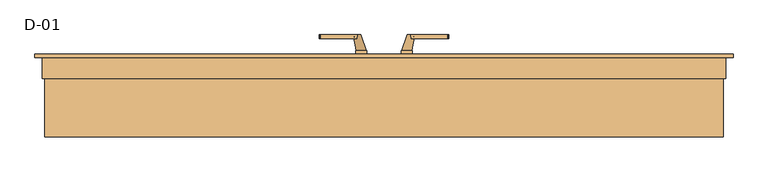
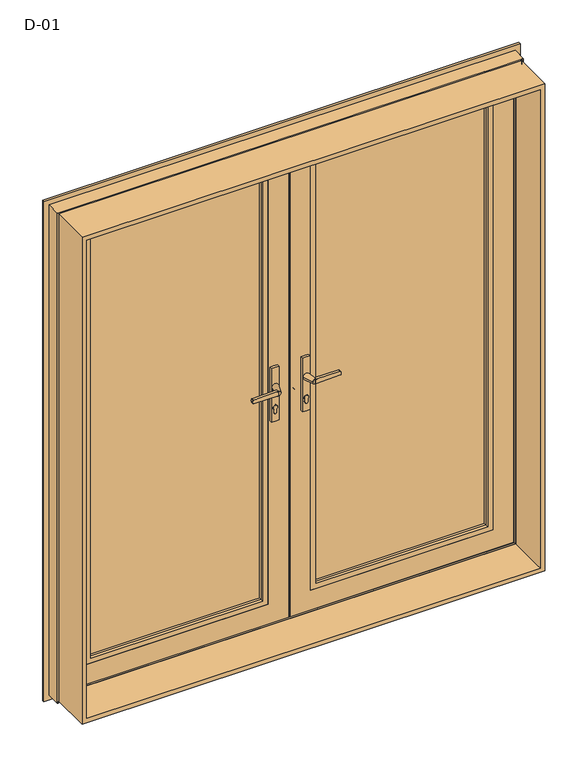
"""IFC4 building model written with IfcOpenShell, lengths in millimetres: door geometry, D-01."""

from ifc_helpers import new_model, si_unit, point, frame, frame_2d, origin, place, context, project, spatial, polyline, circle_curve, ellipse_curve, trimmed, segment, composite_curve, outline, extrude, faceted_brep, source, transform, mapped, element, save
from ifc_brep_helpers import plane_surface, cylinder_surface, revolved_surface, spline_surface, advanced_brep


def d_01_14a2e94c(model_context):
    return source(origin(), model_context, "Body", "SolidModel", [
        extrude(outline(polyline([(779.0, 81.0), (89.4409666, 81.0), (89.4409666, 107.0), (779.0, 107.0), (779.0, 81.0)])), frame((0.0, 0.0, 101.0), z_axis=(0.0, 0.0, 1.0), x_axis=(1.0, 0.0, 0.0)), (0.0, 0.0, 1.0), 1778.0),
        extrude(outline(polyline([(1993.8, 893.8), (1993.8, -893.8), (6.2, -893.8), (6.2, 893.8), (1993.8, 893.8)]), holes=[polyline([(24.7, 875.3), (24.7, -875.3), (1975.3, -875.3), (1975.3, 875.3), (24.7, 875.3)])]), frame((0.0, -100.0, 0.0), z_axis=(0.0, 1.0, 0.0), x_axis=(0.0, 0.0, 1.0)), (0.0, 0.0, 1.0), 165.9999813),
        extrude(outline(polyline([(-89.50001, 81.0), (-779.0, 81.0), (-779.0, 107.0), (-89.50001, 107.0), (-89.50001, 81.0)])), frame((0.0, 0.0, 101.0), z_axis=(0.0, 0.0, 1.0), x_axis=(1.0, 0.0, 0.0)), (0.0, 0.0, 1.0), 1778.0),
        faceted_brep([(-15.2962639, 106.2989927, 1948.529519), (-8.4962639, 106.2989927, 1948.529519), (-8.4962639, 68.9990172, 1948.529519), (2.5075939, 68.9990172, 1948.529519), (2.5075939, 65.7991049, 1948.529519), (19.8037267, 65.7991049, 1948.529519), (19.8037267, 111.9999375, 1948.529519), (-15.2962639, 111.9999375, 1948.529519), (19.8037267, 65.7991049, 51.470481), (2.5075939, 65.7991049, 51.470481), (2.5075939, 68.9990172, 51.470481), (-8.4962639, 68.9990172, 51.470481), (-8.4962639, 106.2989927, 51.470481), (-15.2962639, 106.2989927, 51.470481), (-15.2962639, 111.9999375, 51.470481), (19.8037267, 111.9999375, 51.470481), (-28.4962639, 118.9999375, 66.970481), (-28.4962639, 115.3999375, 66.970481), (-28.4962639, 115.3999375, 1933.029519), (-28.4962639, 118.9999375, 1933.029519), (-15.2962639, 115.3999375, 66.970481), (-15.2962639, 115.3999375, 1933.029519), (19.8037267, 111.9999375, 66.970481), (19.8037267, 112.3990293, 66.970481), (19.8037267, 112.3990293, 1933.029519), (19.8037267, 111.9999375, 1933.029519), (35.6037419, 112.3990293, 66.970481), (35.6037419, 112.3990293, 1933.029519), (35.6037419, 118.9999375, 66.970481), (35.6037419, 118.9999375, 1933.029519), (-15.2962639, 111.9999375, 1933.029519), (-15.2962639, 111.9999375, 66.970481)], [[[0, 1, 2, 3, 4, 5, 6, 7]], [[8, 9, 10, 11, 12, 13, 14, 15]], [[16, 17, 18, 19]], [[17, 20, 21, 18]], [[2, 1, 12, 11]], [[3, 2, 11, 10]], [[5, 8, 15, 22, 23, 24, 25, 6]], [[23, 26, 27, 24]], [[26, 28, 29, 27]], [[28, 16, 19, 29]], [[13, 0, 7, 30, 21, 20, 31, 14]], [[1, 0, 13, 12]], [[4, 3, 10, 9]], [[5, 4, 9, 8]], [[22, 31, 20, 17, 16, 28, 26, 23]], [[31, 22, 15, 14]], [[30, 25, 24, 27, 29, 19, 18, 21]], [[25, 30, 7, 6]]]),
        advanced_brep(
        [(766.0, 73.2768724, 1866.0), (763.8575034, 80.6069746, 1863.8575034), (763.8575034, 80.6069746, 136.1424966), (766.0, 73.2768724, 134.0), (766.0, 61.9997822, 1866.0), (766.0, 61.9997822, 134.0), (786.0, 80.6069746, 1886.0), (786.0, 61.9997822, 1886.0), (786.0, 61.9997822, 114.0), (786.0, 80.6069746, 114.0), (104.6129848, 80.6069746, 136.1424966), (102.4704883, 73.2768724, 134.0), (102.4704883, 61.9997822, 134.0), (82.4704883, 61.9997822, 114.0), (82.4704883, 80.6069746, 114.0), (104.6129848, 80.6069746, 1863.8575034), (102.4704883, 73.2768724, 1866.0), (102.4704883, 61.9997822, 1866.0), (82.4704883, 61.9997822, 1886.0), (82.4704883, 80.6069746, 1886.0)],
        [
            (0, 1, ellipse_curve(frame((746.3925883, 71.5240364, 1846.3925883), z_axis=(-0.7071067811865475, 0.0, 0.7071067811865475), x_axis=(-0.7071067811865474, 0.0, -0.7071067811865476)), 27.839649, 19.6856046)),
            (1, 2),
            (2, 3, ellipse_curve(frame((746.3925883, 71.5240364, 153.6074117), z_axis=(-0.7071067811865475, 0.0, -0.7071067811865475), x_axis=(0.7071067811865474, 0.0, -0.7071067811865476)), 27.839649, 19.6856046)),
            (3, 0),
            (4, 0),
            (3, 5),
            (5, 4),
            (6, 7),
            (7, 8),
            (8, 9),
            (9, 6),
            (2, 10),
            (10, 11, ellipse_curve(frame((122.0779, 71.5240364, 153.6074117), z_axis=(-0.7071067811865475, 0.0, 0.7071067811865475), x_axis=(-0.7071067811865476, 0.0, -0.7071067811865474)), 27.839649, 19.6856046)),
            (11, 3),
            (11, 12),
            (12, 5),
            (8, 13),
            (13, 14),
            (14, 9),
            (10, 15),
            (15, 16, ellipse_curve(frame((122.0779, 71.5240364, 1846.3925883), z_axis=(0.7071067811865475, 0.0, 0.7071067811865475), x_axis=(-0.7071067811865474, 0.0, 0.7071067811865476)), 27.839649, 19.6856046)),
            (16, 11),
            (16, 17),
            (17, 12),
            (13, 18),
            (18, 19),
            (19, 14),
            (19, 6),
            (1, 15),
            (0, 16),
            (4, 17),
            (7, 18),
        ],
        [
            revolved_surface(polyline([(766.0781929000001, 71.5240364, 133.92180710624666), (766.0781929000001, 71.5240364, 1866.0781928937533)]), (746.3925883, 71.5240364, 1886.0), (0.0, 0.0, -1.0)),
            plane_surface(frame((766.0, 73.2768724, 1866.0), z_axis=(-1.0, 0.0, 0.0), x_axis=(0.0, 0.0, -1.0))),
            plane_surface(frame((786.0, 61.9997822, 1886.0), z_axis=(1.0, 0.0, 0.0), x_axis=(0.0, 0.0, -1.0))),
            revolved_surface(polyline([(102.39229540624672, 71.5240364, 133.9218071), (766.0781928937533, 71.5240364, 133.9218071)]), (786.0, 71.5240364, 153.6074117), (-1.0, 0.0, 0.0)),
            plane_surface(frame((766.0, 73.2768724, 134.0), z_axis=(0.0, 0.0, 1.0), x_axis=(-1.0, 0.0, 0.0))),
            plane_surface(frame((786.0, 61.9997822, 114.0), z_axis=(0.0, 0.0, -1.0), x_axis=(-1.0, 0.0, 0.0))),
            revolved_surface(polyline([(102.3922954, 71.5240364, 1866.0781928937533), (102.3922954, 71.5240364, 133.92180710624672)]), (122.0779, 71.5240364, 114.0), (0.0, 0.0, 1.0)),
            plane_surface(frame((102.4704883, 73.2768724, 134.0), z_axis=(1.0, 0.0, 0.0), x_axis=(0.0, 0.0, 1.0))),
            plane_surface(frame((82.4704883, 61.9997822, 114.0), z_axis=(-1.0, 0.0, 0.0), x_axis=(0.0, 0.0, 1.0))),
            plane_surface(frame((82.4704883, 80.6069746, 1886.0), z_axis=(0.0, 1.0, 0.0), x_axis=(1.0, 0.0, 0.0))),
            revolved_surface(polyline([(766.0781928937533, 71.5240364, 1866.0781929), (102.39229540624672, 71.5240364, 1866.0781929)]), (82.4704883, 71.5240364, 1846.3925883), (1.0, 0.0, 0.0)),
            plane_surface(frame((102.4704883, 73.2768724, 1866.0), z_axis=(0.0, 0.0, -1.0), x_axis=(1.0, 0.0, 0.0))),
            plane_surface(frame((102.4704883, 61.9997822, 1866.0), z_axis=(0.0, -1.0, 0.0), x_axis=(1.0, 0.0, 0.0))),
            plane_surface(frame((82.4704883, 61.9997822, 1886.0), z_axis=(0.0, 0.0, 1.0), x_axis=(1.0, 0.0, 0.0))),
        ],
        [
            (0, [[1, 2, 3, 4]]),
            (1, [[5, -4, 6, 7]]),
            (2, [[8, 9, 10, 11]]),
            (3, [[-3, 12, 13, 14]]),
            (4, [[-6, -14, 15, 16]]),
            (5, [[-10, 17, 18, 19]]),
            (6, [[-13, 20, 21, 22]]),
            (7, [[-15, -22, 23, 24]]),
            (8, [[-18, 25, 26, 27]]),
            (9, [[-19, -27, 28, -11], [29, -20, -12, -2]]),
            (10, [[-21, -29, -1, 30]]),
            (11, [[-23, -30, -5, 31]]),
            (12, [[32, -25, -17, -9], [-16, -24, -31, -7]]),
            (13, [[-26, -32, -8, -28]]),
        ],
    ),
        extrude(outline(composite_curve([segment(polyline([(895.7, 64.970481), (908.3261365, 64.970481)]), True, "CONTINUOUS"), segment(trimmed(circle_curve(frame_2d((915.2, 59.970481)), 8.5), [point((908.3261365, 64.970481))], [point((908.3261365, 54.970481))], False, "CARTESIAN"), True, "CONTINUOUS"), segment(polyline([(908.3261365, 54.970481), (895.7, 54.970481)]), True, "CONTINUOUS"), segment(trimmed(circle_curve(frame_2d((895.7, 59.970481)), 5.0), [point((895.7, 54.970481))], [point((895.7, 64.970481))], False, "CARTESIAN"), True, "CONTINUOUS")], self_intersect=False)), frame((0.0, 118.9997902, 0.0), z_axis=(0.0, 1.0, 0.0), x_axis=(0.0, 0.0, 1.0)), (0.0, 0.0, 1.0), 11.0),
        extrude(outline(composite_curve([segment(trimmed(circle_curve(frame_2d((956.1155661, 59.970481)), 97.2636214), [point((860.0, 45.070481))], [point((860.0, 74.870481))], False, "CARTESIAN"), True, "CONTINUOUS"), segment(polyline([(860.0, 74.870481), (1078.5, 74.870481)]), True, "CONTINUOUS"), segment(trimmed(circle_curve(frame_2d((982.3844339, 59.970481)), 97.2636214), [point((1078.5, 74.870481))], [point((1078.5, 45.070481))], False, "CARTESIAN"), True, "CONTINUOUS"), segment(polyline([(1078.5, 45.070481), (860.0, 45.070481)]), True, "CONTINUOUS")], self_intersect=False), holes=[composite_curve([segment(polyline([(895.7, 54.970481), (908.3261365, 54.970481)]), True, "CONTINUOUS"), segment(trimmed(circle_curve(frame_2d((915.2, 59.970481)), 8.5), [point((908.3261365, 54.970481))], [point((908.3261365, 64.970481))], True, "CARTESIAN"), True, "CONTINUOUS"), segment(polyline([(908.3261365, 64.970481), (895.7, 64.970481)]), True, "CONTINUOUS"), segment(trimmed(circle_curve(frame_2d((895.7, 59.970481)), 5.0), [point((895.7, 64.970481))], [point((895.7, 54.970481))], True, "CARTESIAN"), True, "CONTINUOUS")], self_intersect=False)]), frame((0.0, 118.9997902, 0.0), z_axis=(0.0, 1.0, 0.0), x_axis=(0.0, 0.0, 1.0)), (0.0, 0.0, 1.0), 10.0),
        extrude(outline(composite_curve([segment(polyline([(1009.5, 70.970481), (990.5, 70.970481), (993.0308731, 167.6206253)]), True, "CONTINUOUS"), segment(trimmed(circle_curve(frame_2d((995.0301877, 167.5682714)), 2.0), [point((993.0308731, 167.6206253))], [point((994.5125497, 169.5001231))], False, "CARTESIAN"), True, "CONTINUOUS"), segment(polyline([(994.5125497, 169.5001231), (1000.0, 170.970481), (1005.4874503, 169.5001231)]), True, "CONTINUOUS"), segment(trimmed(circle_curve(frame_2d((1004.9698123, 167.5682714)), 2.0), [point((1005.4874503, 169.5001231))], [point((1006.9691269, 167.6206253))], False, "CARTESIAN"), True, "CONTINUOUS"), segment(polyline([(1006.9691269, 167.6206253), (1009.5, 70.970481)]), True, "CONTINUOUS")], self_intersect=False)), frame((0.0, 159.9997902, 0.0), z_axis=(0.0, 1.0, 0.0), x_axis=(0.0, 0.0, 1.0)), (0.0, 0.0, 1.0), 10.0),
        advanced_brep(
        [(61.470481, 169.9997902, 1000.0), (80.470481, 169.9997902, 1000.0), (46.570481, 128.9997902, 1000.0), (73.370481, 128.9997902, 1000.0)],
        [
            (0, 1, circle_curve(frame((70.970481, 169.9997902, 1000.0), z_axis=(0.0, 1.0, 0.0), x_axis=(1.0, 0.0, 0.0)), 9.5)),
            (1, 0, circle_curve(frame((70.970481, 169.9997902, 1000.0), z_axis=(0.0, 1.0, 0.0), x_axis=(1.0, 0.0, 0.0)), 9.5)),
            (2, 3, circle_curve(frame((59.970481, 128.9997902, 1000.0), z_axis=(0.0, -1.0, 0.0), x_axis=(1.0, 0.0, 0.0)), 13.4)),
            (3, 2, circle_curve(frame((59.970481, 128.9997902, 1000.0), z_axis=(0.0, -1.0, 0.0), x_axis=(1.0, 0.0, 0.0)), 13.4)),
            (2, 0),
            (1, 3),
        ],
        [
            plane_surface(frame((70.970481, 169.9997902, 1000.0), z_axis=(0.0, 1.0, 0.0), x_axis=(0.0, 0.0, -1.0))),
            plane_surface(frame((59.970481, 128.9997902, 1000.0), z_axis=(0.0, -1.0, 0.0), x_axis=(0.0, 0.0, -1.0))),
            spline_surface(1, 2, [[(46.570481, 128.9997902, 1000.0), (46.570481, 128.9997902, 986.6), (59.970481, 128.9997902, 986.6), (73.370481, 128.9997902, 986.6), (73.370481, 128.9997902, 1000.0)], [(61.470481, 169.9997902, 1000.0), (61.470481, 169.9997902, 990.5), (70.970481, 169.9997902, 990.5), (80.470481, 169.9997902, 990.5), (80.470481, 169.9997902, 1000.0)]], [2, 2], [3, 2, 3], [0.0, 1.0], [0.0, 1.0, 2.0], weights=[[1.0, 0.7071067811865476, 1.0, 0.7071067811865476, 1.0], [1.0, 0.7071067811865476, 1.0, 0.7071067811865476, 1.0]]),
            spline_surface(1, 2, [[(73.370481, 128.9997902, 1000.0), (73.370481, 128.9997902, 1013.4), (59.970481, 128.9997902, 1013.4), (46.570481, 128.9997902, 1013.4), (46.570481, 128.9997902, 1000.0)], [(80.470481, 169.9997902, 1000.0), (80.470481, 169.9997902, 1009.5), (70.970481, 169.9997902, 1009.5), (61.47048100000001, 169.9997902, 1009.5), (61.470481, 169.9997902, 1000.0)]], [2, 2], [3, 2, 3], [0.0, 1.0], [0.0, 1.0, 2.0], weights=[[1.0, 0.7071067811865476, 1.0, 0.7071067811865476, 1.0], [1.0, 0.7071067811865476, 1.0, 0.7071067811865476, 1.0]]),
        ],
        [
            (0, [[1, 2]]),
            (1, [[3, 4]]),
            (2, [[5, -2, 6, -3]]),
            (3, [[-6, -1, -5, -4]]),
        ],
    ),
        extrude(outline(composite_curve([segment(polyline([(895.7, 64.970481), (908.3261365, 64.970481)]), True, "CONTINUOUS"), segment(trimmed(circle_curve(frame_2d((915.2, 59.970481)), 8.5), [point((908.3261365, 64.970481))], [point((908.3261365, 54.970481))], False, "CARTESIAN"), True, "CONTINUOUS"), segment(polyline([(908.3261365, 54.970481), (895.7, 54.970481)]), True, "CONTINUOUS"), segment(trimmed(circle_curve(frame_2d((895.7, 59.970481)), 5.0), [point((895.7, 54.970481))], [point((895.7, 64.970481))], False, "CARTESIAN"), True, "CONTINUOUS")], self_intersect=False)), frame((0.0, 50.9997823, 0.0), z_axis=(0.0, 1.0, 0.0), x_axis=(0.0, 0.0, 1.0)), (0.0, 0.0, 1.0), 11.0),
        extrude(outline(composite_curve([segment(trimmed(circle_curve(frame_2d((956.1155661, 59.970481)), 97.2636214), [point((860.0, 45.070481))], [point((860.0, 74.870481))], False, "CARTESIAN"), True, "CONTINUOUS"), segment(polyline([(860.0, 74.870481), (1078.5, 74.870481)]), True, "CONTINUOUS"), segment(trimmed(circle_curve(frame_2d((982.3844339, 59.970481)), 97.2636214), [point((1078.5, 74.870481))], [point((1078.5, 45.070481))], False, "CARTESIAN"), True, "CONTINUOUS"), segment(polyline([(1078.5, 45.070481), (860.0, 45.070481)]), True, "CONTINUOUS")], self_intersect=False), holes=[composite_curve([segment(polyline([(895.7, 54.970481), (908.3261365, 54.970481)]), True, "CONTINUOUS"), segment(trimmed(circle_curve(frame_2d((915.2, 59.970481)), 8.5), [point((908.3261365, 54.970481))], [point((908.3261365, 64.970481))], True, "CARTESIAN"), True, "CONTINUOUS"), segment(polyline([(908.3261365, 64.970481), (895.7, 64.970481)]), True, "CONTINUOUS"), segment(trimmed(circle_curve(frame_2d((895.7, 59.970481)), 5.0), [point((895.7, 64.970481))], [point((895.7, 54.970481))], True, "CARTESIAN"), True, "CONTINUOUS")], self_intersect=False)]), frame((0.0, 51.9997823, 0.0), z_axis=(0.0, 1.0, 0.0), x_axis=(0.0, 0.0, 1.0)), (0.0, 0.0, 1.0), 10.0),
        extrude(outline(composite_curve([segment(polyline([(1009.5, 70.970481), (990.5, 70.970481), (993.0308731, 167.6206253)]), True, "CONTINUOUS"), segment(trimmed(circle_curve(frame_2d((995.0301877, 167.5682714)), 2.0), [point((993.0308731, 167.6206253))], [point((994.5125497, 169.5001231))], False, "CARTESIAN"), True, "CONTINUOUS"), segment(polyline([(994.5125497, 169.5001231), (1000.0, 170.970481), (1005.4874503, 169.5001231)]), True, "CONTINUOUS"), segment(trimmed(circle_curve(frame_2d((1004.9698123, 167.5682714)), 2.0), [point((1005.4874503, 169.5001231))], [point((1006.9691269, 167.6206253))], False, "CARTESIAN"), True, "CONTINUOUS"), segment(polyline([(1006.9691269, 167.6206253), (1009.5, 70.970481)]), True, "CONTINUOUS")], self_intersect=False)), frame((0.0, 10.9997823, 0.0), z_axis=(0.0, 1.0, 0.0), x_axis=(0.0, 0.0, 1.0)), (0.0, 0.0, 1.0), 10.0),
        advanced_brep(
        [(61.470481, 10.9997823, 1000.0), (80.470481, 10.9997823, 1000.0), (46.570481, 51.9997823, 1000.0), (73.370481, 51.9997823, 1000.0)],
        [
            (0, 1, circle_curve(frame((70.970481, 10.9997823, 1000.0), z_axis=(0.0, -1.0, 0.0), x_axis=(1.0, 0.0, 0.0)), 9.5)),
            (1, 0, circle_curve(frame((70.970481, 10.9997823, 1000.0), z_axis=(0.0, -1.0, 0.0), x_axis=(1.0, 0.0, 0.0)), 9.5)),
            (2, 3, circle_curve(frame((59.970481, 51.9997823, 1000.0), z_axis=(0.0, 1.0, 0.0), x_axis=(1.0, 0.0, 0.0)), 13.4)),
            (3, 2, circle_curve(frame((59.970481, 51.9997823, 1000.0), z_axis=(0.0, 1.0, 0.0), x_axis=(1.0, 0.0, 0.0)), 13.4)),
            (3, 1),
            (0, 2),
        ],
        [
            plane_surface(frame((70.970481, 10.9997823, 1000.0), z_axis=(0.0, -1.0, 0.0), x_axis=(0.0, 0.0, -1.0))),
            plane_surface(frame((59.970481, 51.9997823, 1000.0), z_axis=(0.0, 1.0, 0.0), x_axis=(0.0, 0.0, -1.0))),
            spline_surface(2, 1, [[(46.570481, 51.9997823, 1000.0), (61.470481, 10.9997823, 1000.0)], [(46.570481, 51.9997823, 986.6), (61.470481, 10.9997823, 990.5)], [(59.970481, 51.9997823, 986.6), (70.970481, 10.9997823, 990.5)], [(73.370481, 51.9997823, 986.6), (80.470481, 10.9997823, 990.5)], [(73.370481, 51.9997823, 1000.0), (80.470481, 10.9997823, 1000.0)]], [3, 2, 3], [2, 2], [0.0, 1.0, 2.0], [0.0, 1.0], weights=[[1.0, 1.0], [0.7071067811865476, 0.7071067811865476], [1.0, 1.0], [0.7071067811865476, 0.7071067811865476], [1.0, 1.0]]),
            spline_surface(2, 1, [[(73.370481, 51.9997823, 1000.0), (80.470481, 10.9997823, 1000.0)], [(73.370481, 51.9997823, 1013.4), (80.470481, 10.9997823, 1009.5)], [(59.970481, 51.9997823, 1013.4), (70.970481, 10.9997823, 1009.5)], [(46.570481, 51.9997823, 1013.4), (61.47048100000001, 10.9997823, 1009.5)], [(46.570481, 51.9997823, 1000.0), (61.470481, 10.9997823, 1000.0)]], [3, 2, 3], [2, 2], [0.0, 1.0, 2.0], [0.0, 1.0], weights=[[1.0, 1.0], [0.7071067811865476, 0.7071067811865476], [1.0, 1.0], [0.7071067811865476, 0.7071067811865476], [1.0, 1.0]]),
        ],
        [
            (0, [[1, 2]]),
            (1, [[3, 4]]),
            (2, [[-4, 5, -1, 6]]),
            (3, [[-3, -6, -2, -5]]),
        ],
    ),
        faceted_brep([(866.029509, 65.5998024, 1966.029509), (866.029509, 61.9997823, 1966.029509), (866.029509, 61.9997823, 33.970491), (866.029509, 65.5998024, 33.970491), (2.470491, 61.9997823, 1966.029509), (2.470491, 61.9997823, 33.970491), (786.0295117, 61.9997823, 1886.0295117), (786.0295117, 61.9997823, 113.9704883), (82.4704883, 61.9997823, 113.9704883), (82.4704883, 61.9997823, 1886.0295117), (2.470491, 65.5998024, 33.970491), (2.470491, 65.5998024, 1966.029509), (19.970481, 65.5998024, 1948.529519), (19.970481, 65.5998024, 51.470481), (848.529519, 65.5998024, 51.470481), (848.529519, 65.5998024, 1948.529519), (848.529519, 112.0009527, 1948.529519), (848.529519, 112.0009527, 51.470481), (19.970481, 112.0009527, 51.470481), (19.970481, 112.0009527, 1948.529519), (35.4647842, 112.0009527, 1933.0352158), (35.4647842, 112.0009527, 66.9647842), (833.0352158, 112.0009527, 66.9647842), (833.0352158, 112.0009527, 1933.0352158), (833.0352158, 118.9997902, 1933.0352158), (833.0352158, 118.9997902, 66.9647842), (35.4647842, 118.9997902, 66.9647842), (35.4647842, 118.9997902, 1933.0352158), (102.4699136, 118.9997902, 1866.0300864), (102.4699136, 118.9997902, 133.9699136), (766.0300864, 118.9997902, 133.9699136), (766.0300864, 118.9997902, 1866.0300864), (766.0300864, 108.400954, 1866.0300864), (766.0300864, 108.400954, 133.9699136), (102.4699136, 108.400954, 133.9699136), (82.4704883, 108.400954, 1886.0295117), (82.4704883, 108.400954, 113.9704883), (786.0295117, 108.400954, 113.9704883), (786.0295117, 108.400954, 1886.0295117), (102.4699136, 108.400954, 1866.0300864)], [[[0, 1, 2, 3]], [[4, 5, 2, 1], [6, 7, 8, 9]], [[3, 2, 5, 10]], [[0, 3, 10, 11], [12, 13, 14, 15]], [[16, 15, 14, 17]], [[17, 14, 13, 18]], [[16, 17, 18, 19], [20, 21, 22, 23]], [[24, 23, 22, 25]], [[25, 22, 21, 26]], [[24, 25, 26, 27], [28, 29, 30, 31]], [[32, 31, 30, 33]], [[33, 30, 29, 34]], [[35, 36, 37, 38], [32, 33, 34, 39]], [[6, 38, 37, 7]], [[7, 37, 36, 8]], [[10, 5, 4, 11]], [[18, 13, 12, 19]], [[26, 21, 20, 27]], [[34, 29, 28, 39]], [[8, 36, 35, 9]], [[11, 4, 1, 0]], [[19, 12, 15, 16]], [[27, 20, 23, 24]], [[39, 28, 31, 32]], [[9, 35, 38, 6]]]),
        extrude(outline(composite_curve([segment(trimmed(circle_curve(frame_2d((895.7, -60.0)), 5.0), [point((895.7, -65.0))], [point((895.7, -55.0))], False, "CARTESIAN"), True, "CONTINUOUS"), segment(polyline([(895.7, -55.0), (908.3261365, -55.0)]), True, "CONTINUOUS"), segment(trimmed(circle_curve(frame_2d((915.2, -60.0)), 8.5), [point((908.3261365, -55.0))], [point((908.3261365, -65.0))], False, "CARTESIAN"), True, "CONTINUOUS"), segment(polyline([(908.3261365, -65.0), (895.7, -65.0)]), True, "CONTINUOUS")], self_intersect=False)), frame((0.0, 118.9997902, 0.0), z_axis=(0.0, 1.0, 0.0), x_axis=(0.0, 0.0, 1.0)), (0.0, 0.0, 1.0), 11.0),
        extrude(outline(composite_curve([segment(polyline([(860.0, -45.1), (1078.5, -45.1)]), True, "CONTINUOUS"), segment(trimmed(circle_curve(frame_2d((982.3844339, -60.0)), 97.2636214), [point((1078.5, -45.1))], [point((1078.5, -74.9))], False, "CARTESIAN"), True, "CONTINUOUS"), segment(polyline([(1078.5, -74.9), (860.0, -74.9)]), True, "CONTINUOUS"), segment(trimmed(circle_curve(frame_2d((956.1155661, -60.0)), 97.2636214), [point((860.0, -74.9))], [point((860.0, -45.1))], False, "CARTESIAN"), True, "CONTINUOUS")], self_intersect=False), holes=[composite_curve([segment(trimmed(circle_curve(frame_2d((895.7, -60.0)), 5.0), [point((895.7, -55.0))], [point((895.7, -65.0))], True, "CARTESIAN"), True, "CONTINUOUS"), segment(polyline([(895.7, -65.0), (908.3261365, -65.0)]), True, "CONTINUOUS"), segment(trimmed(circle_curve(frame_2d((915.2, -60.0)), 8.5), [point((908.3261365, -65.0))], [point((908.3261365, -55.0))], True, "CARTESIAN"), True, "CONTINUOUS"), segment(polyline([(908.3261365, -55.0), (895.7, -55.0)]), True, "CONTINUOUS")], self_intersect=False)]), frame((0.0, 118.9997902, 0.0), z_axis=(0.0, 1.0, 0.0), x_axis=(0.0, 0.0, 1.0)), (0.0, 0.0, 1.0), 10.0),
        extrude(outline(composite_curve([segment(polyline([(1009.5, -71.0), (1006.9691269, -167.6501444)]), True, "CONTINUOUS"), segment(trimmed(circle_curve(frame_2d((1004.9698123, -167.5977905)), 2.0), [point((1006.9691269, -167.6501444))], [point((1005.4874503, -169.5296421))], False, "CARTESIAN"), True, "CONTINUOUS"), segment(polyline([(1005.4874503, -169.5296421), (1000.0, -171.0), (994.5125497, -169.5296421)]), True, "CONTINUOUS"), segment(trimmed(circle_curve(frame_2d((995.0301877, -167.5977905)), 2.0), [point((994.5125497, -169.5296421))], [point((993.0308731, -167.6501444))], False, "CARTESIAN"), True, "CONTINUOUS"), segment(polyline([(993.0308731, -167.6501444), (990.5, -71.0), (1009.5, -71.0)]), True, "CONTINUOUS")], self_intersect=False)), frame((0.0, 159.9997902, 0.0), z_axis=(0.0, 1.0, 0.0), x_axis=(0.0, 0.0, 1.0)), (0.0, 0.0, 1.0), 10.0),
        advanced_brep(
        [(-61.5, 169.9997902, 1000.0), (-80.5, 169.9997902, 1000.0), (-46.6, 128.9997902, 1000.0), (-73.4, 128.9997902, 1000.0)],
        [
            (0, 1, circle_curve(frame((-71.0, 169.9997902, 1000.0), z_axis=(0.0, 1.0, 0.0), x_axis=(-1.0, 0.0, 0.0)), 9.5)),
            (1, 0, circle_curve(frame((-71.0, 169.9997902, 1000.0), z_axis=(0.0, 1.0, 0.0), x_axis=(-1.0, 0.0, 0.0)), 9.5)),
            (2, 3, circle_curve(frame((-60.0, 128.9997902, 1000.0), z_axis=(0.0, -1.0, 0.0), x_axis=(-1.0, 0.0, 0.0)), 13.4)),
            (3, 2, circle_curve(frame((-60.0, 128.9997902, 1000.0), z_axis=(0.0, -1.0, 0.0), x_axis=(-1.0, 0.0, 0.0)), 13.4)),
            (3, 1),
            (0, 2),
        ],
        [
            plane_surface(frame((-71.0, 169.9997902, 1000.0), z_axis=(0.0, 1.0, 0.0), x_axis=(0.0, 0.0, -1.0))),
            plane_surface(frame((-60.0, 128.9997902, 1000.0), z_axis=(0.0, -1.0, 0.0), x_axis=(0.0, 0.0, -1.0))),
            spline_surface(2, 1, [[(-46.6, 128.9997902, 1000.0), (-61.5, 169.9997902, 1000.0)], [(-46.6, 128.9997902, 986.6), (-61.5, 169.9997902, 990.5)], [(-60.0, 128.9997902, 986.6), (-71.0, 169.9997902, 990.5)], [(-73.4, 128.9997902, 986.6), (-80.5, 169.9997902, 990.5)], [(-73.4, 128.9997902, 1000.0), (-80.5, 169.9997902, 1000.0)]], [3, 2, 3], [2, 2], [0.0, 1.0, 2.0], [0.0, 1.0], weights=[[1.0, 1.0], [0.7071067811865476, 0.7071067811865476], [1.0, 1.0], [0.7071067811865477, 0.7071067811865477], [1.0, 1.0]]),
            spline_surface(2, 1, [[(-73.4, 128.9997902, 1000.0), (-80.5, 169.9997902, 1000.0)], [(-73.4, 128.9997902, 1013.4), (-80.5, 169.9997902, 1009.5)], [(-60.0, 128.9997902, 1013.4), (-71.0, 169.9997902, 1009.5)], [(-46.599999999999994, 128.9997902, 1013.4), (-61.5, 169.9997902, 1009.5)], [(-46.6, 128.9997902, 1000.0), (-61.5, 169.9997902, 1000.0)]], [3, 2, 3], [2, 2], [0.0, 1.0, 2.0], [0.0, 1.0], weights=[[1.0, 1.0], [0.7071067811865476, 0.7071067811865476], [1.0, 1.0], [0.7071067811865474, 0.7071067811865474], [1.0, 1.0]]),
        ],
        [
            (0, [[1, 2]]),
            (1, [[3, 4]]),
            (2, [[-4, 5, -1, 6]]),
            (3, [[-3, -6, -2, -5]]),
        ],
    ),
        extrude(outline(composite_curve([segment(trimmed(circle_curve(frame_2d((895.7, -60.0)), 5.0), [point((895.7, -65.0))], [point((895.7, -55.0))], False, "CARTESIAN"), True, "CONTINUOUS"), segment(polyline([(895.7, -55.0), (908.3261365, -55.0)]), True, "CONTINUOUS"), segment(trimmed(circle_curve(frame_2d((915.2, -60.0)), 8.5), [point((908.3261365, -55.0))], [point((908.3261365, -65.0))], False, "CARTESIAN"), True, "CONTINUOUS"), segment(polyline([(908.3261365, -65.0), (895.7, -65.0)]), True, "CONTINUOUS")], self_intersect=False)), frame((0.0, 50.9997823, 0.0), z_axis=(0.0, 1.0, 0.0), x_axis=(0.0, 0.0, 1.0)), (0.0, 0.0, 1.0), 11.0),
        extrude(outline(composite_curve([segment(polyline([(860.0, -45.1), (1078.5, -45.1)]), True, "CONTINUOUS"), segment(trimmed(circle_curve(frame_2d((982.3844339, -60.0)), 97.2636214), [point((1078.5, -45.1))], [point((1078.5, -74.9))], False, "CARTESIAN"), True, "CONTINUOUS"), segment(polyline([(1078.5, -74.9), (860.0, -74.9)]), True, "CONTINUOUS"), segment(trimmed(circle_curve(frame_2d((956.1155661, -60.0)), 97.2636214), [point((860.0, -74.9))], [point((860.0, -45.1))], False, "CARTESIAN"), True, "CONTINUOUS")], self_intersect=False), holes=[composite_curve([segment(trimmed(circle_curve(frame_2d((895.7, -60.0)), 5.0), [point((895.7, -55.0))], [point((895.7, -65.0))], True, "CARTESIAN"), True, "CONTINUOUS"), segment(polyline([(895.7, -65.0), (908.3261365, -65.0)]), True, "CONTINUOUS"), segment(trimmed(circle_curve(frame_2d((915.2, -60.0)), 8.5), [point((908.3261365, -65.0))], [point((908.3261365, -55.0))], True, "CARTESIAN"), True, "CONTINUOUS"), segment(polyline([(908.3261365, -55.0), (895.7, -55.0)]), True, "CONTINUOUS")], self_intersect=False)]), frame((0.0, 51.9997823, 0.0), z_axis=(0.0, 1.0, 0.0), x_axis=(0.0, 0.0, 1.0)), (0.0, 0.0, 1.0), 10.0),
        extrude(outline(composite_curve([segment(polyline([(1009.5, -71.0), (1006.9691269, -167.6501444)]), True, "CONTINUOUS"), segment(trimmed(circle_curve(frame_2d((1004.9698123, -167.5977905)), 2.0), [point((1006.9691269, -167.6501444))], [point((1005.4874503, -169.5296421))], False, "CARTESIAN"), True, "CONTINUOUS"), segment(polyline([(1005.4874503, -169.5296421), (1000.0, -171.0), (994.5125497, -169.5296421)]), True, "CONTINUOUS"), segment(trimmed(circle_curve(frame_2d((995.0301877, -167.5977905)), 2.0), [point((994.5125497, -169.5296421))], [point((993.0308731, -167.6501444))], False, "CARTESIAN"), True, "CONTINUOUS"), segment(polyline([(993.0308731, -167.6501444), (990.5, -71.0), (1009.5, -71.0)]), True, "CONTINUOUS")], self_intersect=False)), frame((0.0, 10.9997823, 0.0), z_axis=(0.0, 1.0, 0.0), x_axis=(0.0, 0.0, 1.0)), (0.0, 0.0, 1.0), 10.0),
        advanced_brep(
        [(-61.5, 10.9997823, 1000.0), (-80.5, 10.9997823, 1000.0), (-46.6, 51.9997823, 1000.0), (-73.4, 51.9997823, 1000.0)],
        [
            (0, 1, circle_curve(frame((-71.0, 10.9997823, 1000.0), z_axis=(0.0, -1.0, 0.0), x_axis=(-1.0, 0.0, 0.0)), 9.5)),
            (1, 0, circle_curve(frame((-71.0, 10.9997823, 1000.0), z_axis=(0.0, -1.0, 0.0), x_axis=(-1.0, 0.0, 0.0)), 9.5)),
            (2, 3, circle_curve(frame((-60.0, 51.9997823, 1000.0), z_axis=(0.0, 1.0, 0.0), x_axis=(-1.0, 0.0, 0.0)), 13.4)),
            (3, 2, circle_curve(frame((-60.0, 51.9997823, 1000.0), z_axis=(0.0, 1.0, 0.0), x_axis=(-1.0, 0.0, 0.0)), 13.4)),
            (2, 0),
            (1, 3),
        ],
        [
            plane_surface(frame((-71.0, 10.9997823, 1000.0), z_axis=(0.0, -1.0, 0.0), x_axis=(0.0, 0.0, -1.0))),
            plane_surface(frame((-60.0, 51.9997823, 1000.0), z_axis=(0.0, 1.0, 0.0), x_axis=(0.0, 0.0, -1.0))),
            spline_surface(1, 2, [[(-46.6, 51.9997823, 1000.0), (-46.6, 51.9997823, 986.6), (-60.0, 51.9997823, 986.6), (-73.4, 51.9997823, 986.6), (-73.4, 51.9997823, 1000.0)], [(-61.5, 10.9997823, 1000.0), (-61.5, 10.9997823, 990.5), (-71.0, 10.9997823, 990.5), (-80.5, 10.9997823, 990.5), (-80.5, 10.9997823, 1000.0)]], [2, 2], [3, 2, 3], [0.0, 1.0], [0.0, 1.0, 2.0], weights=[[1.0, 0.7071067811865476, 1.0, 0.7071067811865477, 1.0], [1.0, 0.7071067811865476, 1.0, 0.7071067811865477, 1.0]]),
            spline_surface(1, 2, [[(-73.4, 51.9997823, 1000.0), (-73.4, 51.9997823, 1013.4), (-60.0, 51.9997823, 1013.4), (-46.599999999999994, 51.9997823, 1013.4), (-46.6, 51.9997823, 1000.0)], [(-80.5, 10.9997823, 1000.0), (-80.5, 10.9997823, 1009.5), (-71.0, 10.9997823, 1009.5), (-61.5, 10.9997823, 1009.5), (-61.5, 10.9997823, 1000.0)]], [2, 2], [3, 2, 3], [0.0, 1.0], [0.0, 1.0, 2.0], weights=[[1.0, 0.7071067811865476, 1.0, 0.7071067811865474, 1.0], [1.0, 0.7071067811865476, 1.0, 0.7071067811865474, 1.0]]),
        ],
        [
            (0, [[1, 2]]),
            (1, [[3, 4]]),
            (2, [[5, -2, 6, -3]]),
            (3, [[-6, -1, -5, -4]]),
        ],
    ),
        faceted_brep([(-2.470491, 65.5998024, 1966.029509), (-2.470491, 61.9997823, 1966.029509), (-2.470491, 61.9997823, 33.970491), (-2.470491, 65.5998024, 33.970491), (-866.029509, 61.9997823, 1966.029509), (-866.029509, 61.9997823, 33.970491), (-82.4704883, 61.9997823, 1886.0295117), (-82.4704883, 61.9997823, 113.9704883), (-786.0295117, 61.9997823, 113.9704883), (-786.0295117, 61.9997823, 1886.0295117), (-866.029509, 65.5998024, 33.970491), (-866.029509, 65.5998024, 1966.029509), (-848.529519, 65.5998024, 1948.529519), (-848.529519, 65.5998024, 51.470481), (-19.970481, 65.5998024, 51.470481), (-19.970481, 65.5998024, 1948.529519), (-19.970481, 112.0009527, 1948.529519), (-19.970481, 112.0009527, 51.470481), (-848.529519, 112.0009527, 51.470481), (-848.529519, 112.0009527, 1948.529519), (-833.0352158, 112.0009527, 1933.0352158), (-833.0352158, 112.0009527, 66.9647842), (-35.4647842, 112.0009527, 66.9647842), (-35.4647842, 112.0009527, 1933.0352158), (-35.4647842, 118.9997902, 1933.0352158), (-35.4647842, 118.9997902, 66.9647842), (-833.0352158, 118.9997902, 66.9647842), (-833.0352158, 118.9997902, 1933.0352158), (-766.0300864, 118.9997902, 1866.0300864), (-766.0300864, 118.9997902, 133.9699136), (-102.4699136, 118.9997902, 133.9699136), (-102.4699136, 118.9997902, 1866.0300864), (-102.4699136, 108.400954, 1866.0300864), (-102.4699136, 108.400954, 133.9699136), (-766.0300864, 108.400954, 133.9699136), (-786.0295117, 108.400954, 1886.0295117), (-786.0295117, 108.400954, 113.9704883), (-82.4704883, 108.400954, 113.9704883), (-82.4704883, 108.400954, 1886.0295117), (-766.0300864, 108.400954, 1866.0300864)], [[[0, 1, 2, 3]], [[4, 5, 2, 1], [6, 7, 8, 9]], [[3, 2, 5, 10]], [[0, 3, 10, 11], [12, 13, 14, 15]], [[16, 15, 14, 17]], [[17, 14, 13, 18]], [[16, 17, 18, 19], [20, 21, 22, 23]], [[24, 23, 22, 25]], [[25, 22, 21, 26]], [[24, 25, 26, 27], [28, 29, 30, 31]], [[32, 31, 30, 33]], [[33, 30, 29, 34]], [[35, 36, 37, 38], [32, 33, 34, 39]], [[6, 38, 37, 7]], [[7, 37, 36, 8]], [[10, 5, 4, 11]], [[18, 13, 12, 19]], [[26, 21, 20, 27]], [[34, 29, 28, 39]], [[8, 36, 35, 9]], [[11, 4, 1, 0]], [[19, 12, 15, 16]], [[27, 20, 23, 24]], [[39, 28, 31, 32]], [[9, 35, 38, 6]]]),
        advanced_brep(
        [(-102.4704883, 73.2768724, 1866.0), (-104.6129848, 80.6069746, 1863.8575034), (-104.6129848, 80.6069746, 136.1424966), (-102.4704883, 73.2768724, 134.0), (-102.4704883, 61.9997822, 1866.0), (-102.4704883, 61.9997822, 134.0), (-82.4704883, 80.6069746, 1886.0), (-82.4704883, 61.9997822, 1886.0), (-82.4704883, 61.9997822, 114.0), (-82.4704883, 80.6069746, 114.0), (-763.8575034, 80.6069746, 136.1424966), (-766.0, 73.2768724, 134.0), (-766.0, 61.9997822, 134.0), (-786.0, 61.9997822, 114.0), (-786.0, 80.6069746, 114.0), (-763.8575034, 80.6069746, 1863.8575034), (-766.0, 73.2768724, 1866.0), (-766.0, 61.9997822, 1866.0), (-786.0, 61.9997822, 1886.0), (-786.0, 80.6069746, 1886.0)],
        [
            (0, 1, ellipse_curve(frame((-122.0779, 71.5240364, 1846.3925883), z_axis=(-0.7071067811865475, 0.0, 0.7071067811865475), x_axis=(-0.7071067811865474, 0.0, -0.7071067811865476)), 27.839649, 19.6856046)),
            (1, 2),
            (2, 3, ellipse_curve(frame((-122.0779, 71.5240364, 153.6074117), z_axis=(-0.7071067811865475, 0.0, -0.7071067811865475), x_axis=(0.7071067811865474, 0.0, -0.7071067811865476)), 27.839649, 19.6856046)),
            (3, 0),
            (4, 0),
            (3, 5),
            (5, 4),
            (6, 7),
            (7, 8),
            (8, 9),
            (9, 6),
            (2, 10),
            (10, 11, ellipse_curve(frame((-746.3925883, 71.5240364, 153.6074117), z_axis=(-0.7071067811865475, 0.0, 0.7071067811865475), x_axis=(-0.7071067811865476, 0.0, -0.7071067811865474)), 27.839649, 19.6856046)),
            (11, 3),
            (11, 12),
            (12, 5),
            (8, 13),
            (13, 14),
            (14, 9),
            (10, 15),
            (15, 16, ellipse_curve(frame((-746.3925883, 71.5240364, 1846.3925883), z_axis=(0.7071067811865475, 0.0, 0.7071067811865475), x_axis=(-0.7071067811865474, 0.0, 0.7071067811865476)), 27.839649, 19.6856046)),
            (16, 11),
            (16, 17),
            (17, 12),
            (13, 18),
            (18, 19),
            (19, 14),
            (19, 6),
            (1, 15),
            (0, 16),
            (4, 17),
            (7, 18),
        ],
        [
            revolved_surface(polyline([(-102.3922954, 71.5240364, 133.92180710624666), (-102.3922954, 71.5240364, 1866.0781928937533)]), (-122.0779, 71.5240364, 1886.0), (0.0, 0.0, -1.0)),
            plane_surface(frame((-102.4704883, 73.2768724, 1866.0), z_axis=(-1.0, 0.0, 0.0), x_axis=(0.0, 0.0, -1.0))),
            plane_surface(frame((-82.4704883, 61.9997822, 1886.0), z_axis=(1.0, 0.0, 0.0), x_axis=(0.0, 0.0, -1.0))),
            revolved_surface(polyline([(-766.0781928937533, 71.5240364, 133.9218071), (-102.39229540624672, 71.5240364, 133.9218071)]), (-82.4704883, 71.5240364, 153.6074117), (-1.0, 0.0, 0.0)),
            plane_surface(frame((-102.4704883, 73.2768724, 134.0), z_axis=(0.0, 0.0, 1.0), x_axis=(-1.0, 0.0, 0.0))),
            plane_surface(frame((-82.4704883, 61.9997822, 114.0), z_axis=(0.0, 0.0, -1.0), x_axis=(-1.0, 0.0, 0.0))),
            revolved_surface(polyline([(-766.0781929000001, 71.5240364, 1866.0781928937533), (-766.0781929000001, 71.5240364, 133.92180710624672)]), (-746.3925883, 71.5240364, 114.0), (0.0, 0.0, 1.0)),
            plane_surface(frame((-766.0, 73.2768724, 134.0), z_axis=(1.0, 0.0, 0.0), x_axis=(0.0, 0.0, 1.0))),
            plane_surface(frame((-786.0, 61.9997822, 114.0), z_axis=(-1.0, 0.0, 0.0), x_axis=(0.0, 0.0, 1.0))),
            plane_surface(frame((-786.0, 80.6069746, 1886.0), z_axis=(0.0, 1.0, 0.0), x_axis=(1.0, 0.0, 0.0))),
            revolved_surface(polyline([(-102.39229540624672, 71.5240364, 1866.0781929), (-766.0781928937533, 71.5240364, 1866.0781929)]), (-786.0, 71.5240364, 1846.3925883), (1.0, 0.0, 0.0)),
            plane_surface(frame((-766.0, 73.2768724, 1866.0), z_axis=(0.0, 0.0, -1.0), x_axis=(1.0, 0.0, 0.0))),
            plane_surface(frame((-766.0, 61.9997822, 1866.0), z_axis=(0.0, -1.0, 0.0), x_axis=(1.0, 0.0, 0.0))),
            plane_surface(frame((-786.0, 61.9997822, 1886.0), z_axis=(0.0, 0.0, 1.0), x_axis=(1.0, 0.0, 0.0))),
        ],
        [
            (0, [[1, 2, 3, 4]]),
            (1, [[5, -4, 6, 7]]),
            (2, [[8, 9, 10, 11]]),
            (3, [[-3, 12, 13, 14]]),
            (4, [[-6, -14, 15, 16]]),
            (5, [[-10, 17, 18, 19]]),
            (6, [[-13, 20, 21, 22]]),
            (7, [[-15, -22, 23, 24]]),
            (8, [[-18, 25, 26, 27]]),
            (9, [[-19, -27, 28, -11], [29, -20, -12, -2]]),
            (10, [[-21, -29, -1, 30]]),
            (11, [[-23, -30, -5, 31]]),
            (12, [[32, -25, -17, -9], [-16, -24, -31, -7]]),
            (13, [[-26, -32, -8, -28]]),
        ],
    ),
        advanced_brep(
        [(920.000038, 110.0, 2020.000038), (920.000038, 110.0, -20.000038), (920.000038, 118.9999375, -20.000038), (920.000038, 118.9999375, 2020.000038), (-920.000038, 118.9999375, 2020.000038), (-920.000038, 118.9999375, -20.000038), (840.0004584, 118.9999375, 1940.0004584), (-840.0004584, 118.9999375, 1940.0004584), (-840.0004584, 118.9999375, 59.9995416), (840.0004584, 118.9999375, 59.9995416), (-920.000038, 110.0, -20.000038), (-920.000038, 110.0, 2020.000038), (-900.0, 110.0, 2000.0), (900.0, 110.0, 2000.0), (900.0, 110.0, 0.0), (-900.0, 110.0, 0.0), (900.0, 54.8507969, 2000.0), (900.0, 54.8507969, 0.0), (-900.0, 54.8507969, 0.0), (895.0001465, 54.8506112, 1995.0001465), (895.0001465, 54.8506112, 4.9998535), (-895.0001465, 54.8506112, 4.9998535), (895.0001465, 56.5920405, 1995.0001465), (895.0001465, 56.5920405, 4.9998535), (-895.0001465, 56.5920405, 4.9998535), (893.8001794, 56.5908144, 1993.8001794), (893.8001794, 56.5908144, 6.1998206), (-893.8001794, 56.5908144, 6.1998206), (893.8001794, 65.9999813, 1993.8001794), (893.8001794, 65.9999813, 6.1998206), (-893.8001794, 65.9999813, 6.1998206), (-893.8001794, 65.9999813, 1993.8001794), (-874.2001794, 65.9999813, 1974.2001794), (874.2001794, 65.9999813, 1974.2001794), (874.2001794, 65.9999813, 25.7998206), (-874.2001794, 65.9999813, 25.7998206), (874.2001794, 61.9999728, 1974.2001794), (874.2001794, 61.9999728, 25.7998206), (-874.2001794, 61.9999728, 25.7998206), (-874.2001794, 61.9999728, 1974.2001794), (-872.6156704, 61.9999728, 1972.6156704), (872.6156704, 61.9999728, 1972.6156704), (872.6156704, 61.9999728, 27.3843296), (-872.6156704, 61.9999728, 27.3843296), (872.8755675, 68.9999299, 1972.8755675), (872.8755675, 68.9999299, 27.1244325), (-872.8755675, 68.9999299, 27.1244325), (-872.8755675, 68.9999299, 1972.8755675), (-860.0002274, 68.9999299, 1960.0002274), (860.0002274, 68.9999299, 1960.0002274), (860.0002274, 68.9999299, 39.9997726), (-860.0002274, 68.9999299, 39.9997726), (860.0002274, 115.4000063, 1960.0002274), (860.0002274, 115.4000063, 39.9997726), (-860.0002274, 115.4000063, 39.9997726), (-860.0002274, 115.4000063, 1960.0002274), (-840.0004584, 115.4000063, 1940.0004584), (840.0004584, 115.4000063, 1940.0004584), (840.0004584, 115.4000063, 59.9995416), (-840.0004584, 115.4000063, 59.9995416), (-900.0, 54.8507969, 2000.0), (-895.0001465, 54.8506112, 1995.0001465), (-895.0001465, 56.5920405, 1995.0001465), (-893.8001794, 56.5908144, 1993.8001794)],
        [
            (0, 1),
            (1, 2),
            (2, 3),
            (3, 0),
            (4, 3),
            (2, 5),
            (5, 4),
            (6, 7),
            (7, 8),
            (8, 9),
            (9, 6),
            (1, 10),
            (10, 5),
            (0, 11),
            (11, 10),
            (12, 13),
            (13, 14),
            (14, 15),
            (15, 12),
            (16, 17),
            (17, 14),
            (13, 16),
            (17, 18),
            (18, 15),
            (19, 20),
            (20, 17, ellipse_curve(frame((897.5001465, 52.8785929, 2.4998535), z_axis=(-0.7071067811865475, 0.0, -0.7071067811865475), x_axis=(0.7071067811865474, 0.0, -0.7071067811865476)), 4.5030781, 3.184157)),
            (16, 19, ellipse_curve(frame((897.5001465, 52.8785929, 1997.5001465), z_axis=(-0.7071067811865475, 0.0, 0.7071067811865475), x_axis=(-0.7071067811865474, 0.0, -0.7071067811865476)), 4.5030781, 3.184157)),
            (20, 21),
            (21, 18, ellipse_curve(frame((-897.5001465, 52.8785929, 2.4998535), z_axis=(-0.7071067811865475, 0.0, 0.7071067811865475), x_axis=(-0.7071067811865476, 0.0, -0.7071067811865474)), 4.5030781, 3.184157)),
            (22, 23),
            (23, 20),
            (19, 22),
            (23, 24),
            (24, 21),
            (25, 26),
            (26, 23, ellipse_curve(frame((894.4001534, 56.6007652, 5.5998466), z_axis=(0.7071067811865475, 0.0, 0.7071067811865475), x_axis=(-0.7071067811865474, 0.0, 0.7071067811865476)), 0.8486081, 0.6000566)),
            (22, 25, ellipse_curve(frame((894.4001534, 56.6007652, 1994.4001534), z_axis=(0.7071067811865475, 0.0, -0.7071067811865475), x_axis=(0.7071067811865474, 0.0, 0.7071067811865476)), 0.8486081, 0.6000566)),
            (26, 27),
            (27, 24, ellipse_curve(frame((-894.4001534, 56.6007652, 5.5998466), z_axis=(0.7071067811865475, 0.0, -0.7071067811865475), x_axis=(0.7071067811865476, 0.0, 0.7071067811865474)), 0.8486081, 0.6000566)),
            (28, 29),
            (29, 26),
            (25, 28),
            (29, 30),
            (30, 27),
            (28, 31),
            (31, 30),
            (32, 33),
            (33, 34),
            (34, 35),
            (35, 32),
            (36, 37),
            (37, 34),
            (33, 36),
            (37, 38),
            (38, 35),
            (36, 39),
            (39, 38),
            (40, 41),
            (41, 42),
            (42, 43),
            (43, 40),
            (44, 45),
            (45, 42),
            (41, 44),
            (45, 46),
            (46, 43),
            (44, 47),
            (47, 46),
            (48, 49),
            (49, 50),
            (50, 51),
            (51, 48),
            (52, 53),
            (53, 50),
            (49, 52),
            (53, 54),
            (54, 51),
            (52, 55),
            (55, 54),
            (56, 57),
            (57, 58),
            (58, 59),
            (59, 56),
            (9, 58),
            (57, 6),
            (8, 59),
            (11, 4),
            (18, 60),
            (60, 12),
            (21, 61),
            (61, 60, ellipse_curve(frame((-897.5001465, 52.8785929, 1997.5001465), z_axis=(0.7071067811865475, 0.0, 0.7071067811865475), x_axis=(-0.7071067811865474, 0.0, 0.7071067811865476)), 4.5030781, 3.184157)),
            (24, 62),
            (62, 61),
            (27, 63),
            (63, 62, ellipse_curve(frame((-894.4001534, 56.6007652, 1994.4001534), z_axis=(-0.7071067811865475, 0.0, -0.7071067811865475), x_axis=(0.7071067811865474, 0.0, -0.7071067811865476)), 0.8486081, 0.6000566)),
            (31, 63),
            (39, 32),
            (47, 40),
            (55, 48),
            (7, 56),
            (60, 16),
            (61, 19),
            (62, 22),
            (63, 25),
        ],
        [
            plane_surface(frame((920.000038, 118.9999375, 2020.000038), z_axis=(1.0, 0.0, 0.0), x_axis=(0.0, 0.0, -1.0))),
            plane_surface(frame((-840.0004584, 118.9999375, 59.9995416), z_axis=(0.0, 1.0, 0.0), x_axis=(0.0, 0.0, 1.0))),
            plane_surface(frame((920.000038, 118.9999375, -20.000038), z_axis=(0.0, 0.0, -1.0), x_axis=(-1.0, 0.0, 0.0))),
            plane_surface(frame((-920.000038, 110.0, -20.000038), z_axis=(0.0, -1.0, 0.0), x_axis=(0.0, 0.0, 1.0))),
            plane_surface(frame((900.0, 110.0, 2000.0), z_axis=(1.0, 0.0, 0.0), x_axis=(0.0, 0.0, -1.0))),
            plane_surface(frame((900.0, 110.0, 0.0), z_axis=(0.0, 0.0, -1.0), x_axis=(-1.0, 0.0, 0.0))),
            revolved_surface(polyline([(900.6843035, 52.8785929, -0.6843035607225829), (900.6843035, 52.8785929, 2000.6843035607226)]), (897.5001465, 52.8785929, 2000.0), (0.0, 0.0, -1.0)),
            revolved_surface(polyline([(-900.6843035607226, 52.8785929, -0.6843035), (900.6843035607227, 52.8785929, -0.6843035)]), (900.0, 52.8785929, 2.4998535), (-1.0, 0.0, 0.0)),
            plane_surface(frame((895.0001465, 54.8506112, 1995.0001465), z_axis=(-1.0, 0.0, 0.0), x_axis=(0.0, 0.0, -1.0))),
            plane_surface(frame((895.0001465, 54.8506112, 4.9998535), z_axis=(0.0, 0.0, 1.0), x_axis=(-1.0, 0.0, 0.0))),
            cylinder_surface(frame((894.4001534, 56.6007652, 2000.0), z_axis=(0.0, 0.0, 1.0), x_axis=(1.0, 0.0, 0.0)), 0.6000566),
            cylinder_surface(frame((900.0, 56.6007652, 5.5998466), z_axis=(1.0, 0.0, 0.0), x_axis=(0.0, 0.0, -1.0)), 0.6000566),
            plane_surface(frame((893.8001794, 56.5908144, 1993.8001794), z_axis=(-1.0, 0.0, 0.0), x_axis=(0.0, 0.0, -1.0))),
            plane_surface(frame((893.8001794, 56.5908144, 6.1998206), z_axis=(0.0, 0.0, 1.0), x_axis=(-1.0, 0.0, 0.0))),
            plane_surface(frame((-893.8001794, 65.9999813, 6.1998206), z_axis=(0.0, -1.0, 0.0), x_axis=(0.0, 0.0, 1.0))),
            plane_surface(frame((874.2001794, 65.9999813, 1974.2001794), z_axis=(1.0, 0.0, 0.0), x_axis=(0.0, 0.0, -1.0))),
            plane_surface(frame((874.2001794, 65.9999813, 25.7998206), z_axis=(0.0, 0.0, -1.0), x_axis=(-1.0, 0.0, 0.0))),
            plane_surface(frame((-874.2001794, 61.9999728, 25.7998206), z_axis=(0.0, -1.0, 0.0), x_axis=(0.0, 0.0, 1.0))),
            plane_surface(frame((872.6156704, 61.9999728, 1972.6156704), z_axis=(-0.9993114533203381, 0.03710282014609819, 0.0), x_axis=(0.0, 0.0, -1.0))),
            plane_surface(frame((872.6156704, 61.9999728, 27.3843296), z_axis=(0.0, 0.03710282014609207, 0.9993114533203383), x_axis=(-1.0, 0.0, 0.0))),
            plane_surface(frame((-872.8755675, 68.9999299, 27.1244325), z_axis=(0.0, -1.0, 0.0), x_axis=(0.0, 0.0, 1.0))),
            plane_surface(frame((860.0002274, 68.9999299, 1960.0002274), z_axis=(-1.0, 0.0, 0.0), x_axis=(0.0, 0.0, -1.0))),
            plane_surface(frame((860.0002274, 68.9999299, 39.9997726), z_axis=(0.0, 0.0, 1.0), x_axis=(-1.0, 0.0, 0.0))),
            plane_surface(frame((-860.0002274, 115.4000063, 39.9997726), z_axis=(0.0, -1.0, 0.0), x_axis=(0.0, 0.0, 1.0))),
            plane_surface(frame((840.0004584, 115.4000063, 1940.0004584), z_axis=(-1.0, 0.0, 0.0), x_axis=(0.0, 0.0, -1.0))),
            plane_surface(frame((840.0004584, 115.4000063, 59.9995416), z_axis=(0.0, 0.0, 1.0), x_axis=(-1.0, 0.0, 0.0))),
            plane_surface(frame((-920.000038, 118.9999375, -20.000038), z_axis=(-1.0, 0.0, 0.0), x_axis=(0.0, 0.0, 1.0))),
            plane_surface(frame((-900.0, 110.0, 0.0), z_axis=(-1.0, 0.0, 0.0), x_axis=(0.0, 0.0, 1.0))),
            revolved_surface(polyline([(-900.6843035, 52.8785929, 2000.6843035607226), (-900.6843035, 52.8785929, -0.6843035607226331)]), (-897.5001465, 52.8785929, 0.0), (0.0, 0.0, 1.0)),
            plane_surface(frame((-895.0001465, 54.8506112, 4.9998535), z_axis=(1.0, 0.0, 0.0), x_axis=(0.0, 0.0, 1.0))),
            cylinder_surface(frame((-894.4001534, 56.6007652, 0.0), z_axis=(0.0, 0.0, -1.0), x_axis=(-1.0, 0.0, 0.0)), 0.6000566),
            plane_surface(frame((-893.8001794, 56.5908144, 6.1998206), z_axis=(1.0, 0.0, 0.0), x_axis=(0.0, 0.0, 1.0))),
            plane_surface(frame((-874.2001794, 65.9999813, 25.7998206), z_axis=(-1.0, 0.0, 0.0), x_axis=(0.0, 0.0, 1.0))),
            plane_surface(frame((-872.6156704, 61.9999728, 27.3843296), z_axis=(0.9993114533203387, 0.03710282014608596, 0.0), x_axis=(0.0, 0.0, 1.0))),
            plane_surface(frame((-860.0002274, 68.9999299, 39.9997726), z_axis=(1.0, 0.0, 0.0), x_axis=(0.0, 0.0, 1.0))),
            plane_surface(frame((-840.0004584, 115.4000063, 59.9995416), z_axis=(1.0, 0.0, 0.0), x_axis=(0.0, 0.0, 1.0))),
            plane_surface(frame((-920.000038, 118.9999375, 2020.000038), z_axis=(0.0, 0.0, 1.0), x_axis=(1.0, 0.0, 0.0))),
            plane_surface(frame((-900.0, 110.0, 2000.0), z_axis=(0.0, 0.0, 1.0), x_axis=(1.0, 0.0, 0.0))),
            revolved_surface(polyline([(900.6843035607226, 52.8785929, 2000.6843035), (-900.6843035607227, 52.8785929, 2000.6843035)]), (-900.0, 52.8785929, 1997.5001465), (1.0, 0.0, 0.0)),
            plane_surface(frame((-895.0001465, 54.8506112, 1995.0001465), z_axis=(0.0, 0.0, -1.0), x_axis=(1.0, 0.0, 0.0))),
            cylinder_surface(frame((-900.0, 56.6007652, 1994.4001534), z_axis=(-1.0, 0.0, 0.0), x_axis=(0.0, 0.0, 1.0)), 0.6000566),
            plane_surface(frame((-893.8001794, 56.5908144, 1993.8001794), z_axis=(0.0, 0.0, -1.0), x_axis=(1.0, 0.0, 0.0))),
            plane_surface(frame((-874.2001794, 65.9999813, 1974.2001794), z_axis=(0.0, 0.0, 1.0), x_axis=(1.0, 0.0, 0.0))),
            plane_surface(frame((-872.6156704, 61.9999728, 1972.6156704), z_axis=(0.0, 0.03710282014609207, -0.9993114533203383), x_axis=(1.0, 0.0, 0.0))),
            plane_surface(frame((-860.0002274, 68.9999299, 1960.0002274), z_axis=(0.0, 0.0, -1.0), x_axis=(1.0, 0.0, 0.0))),
            plane_surface(frame((-840.0004584, 115.4000063, 1940.0004584), z_axis=(0.0, 0.0, -1.0), x_axis=(1.0, 0.0, 0.0))),
        ],
        [
            (0, [[1, 2, 3, 4]]),
            (1, [[5, -3, 6, 7], [8, 9, 10, 11]]),
            (2, [[12, 13, -6, -2]]),
            (3, [[14, 15, -12, -1], [16, 17, 18, 19]]),
            (4, [[20, 21, -17, 22]]),
            (5, [[23, 24, -18, -21]]),
            (6, [[25, 26, -20, 27]]),
            (7, [[28, 29, -23, -26]]),
            (8, [[30, 31, -25, 32]]),
            (9, [[33, 34, -28, -31]]),
            (10, [[35, 36, -30, 37]]),
            (11, [[38, 39, -33, -36]]),
            (12, [[40, 41, -35, 42]]),
            (13, [[43, 44, -38, -41]]),
            (14, [[45, 46, -43, -40], [47, 48, 49, 50]]),
            (15, [[51, 52, -48, 53]]),
            (16, [[54, 55, -49, -52]]),
            (17, [[56, 57, -54, -51], [58, 59, 60, 61]]),
            (18, [[62, 63, -59, 64]]),
            (19, [[65, 66, -60, -63]]),
            (20, [[67, 68, -65, -62], [69, 70, 71, 72]]),
            (21, [[73, 74, -70, 75]]),
            (22, [[76, 77, -71, -74]]),
            (23, [[78, 79, -76, -73], [80, 81, 82, 83]]),
            (24, [[-11, 84, -81, 85]]),
            (25, [[-10, 86, -82, -84]]),
            (26, [[-15, 87, -7, -13]]),
            (27, [[88, 89, -19, -24]]),
            (28, [[90, 91, -88, -29]]),
            (29, [[92, 93, -90, -34]]),
            (30, [[94, 95, -92, -39]]),
            (31, [[-46, 96, -94, -44]]),
            (32, [[-57, 97, -50, -55]]),
            (33, [[-68, 98, -61, -66]]),
            (34, [[-79, 99, -72, -77]]),
            (35, [[-9, 100, -83, -86]]),
            (36, [[-14, -4, -5, -87]]),
            (37, [[101, -22, -16, -89]]),
            (38, [[102, -27, -101, -91]]),
            (39, [[103, -32, -102, -93]]),
            (40, [[104, -37, -103, -95]]),
            (41, [[-45, -42, -104, -96]]),
            (42, [[-56, -53, -47, -97]]),
            (43, [[-67, -64, -58, -98]]),
            (44, [[-78, -75, -69, -99]]),
            (45, [[-8, -85, -80, -100]]),
        ],
    ),
    ])


if __name__ == "__main__":
    model = new_model("IFC4")
    model_context = context("Model", 3, world=origin())
    ifc_project = project(units=[si_unit("LENGTHUNIT", "METRE", prefix="MILLI")], contexts=[model_context])
    site = spatial("IfcSite", under=ifc_project)
    building = spatial("IfcBuilding", under=site)
    placement = place(None, origin())
    d_01_shape = d_01_14a2e94c(model_context)
    element("IfcDoor", 1, ObjectType="D-01", at=placement, inside=building, context=model_context, shape_type="MappedRepresentation", body=[
        mapped(d_01_shape, transform((0.0, 0.0, 0.0), x_axis=(1.0, 0.0, 0.0), y_axis=(0.0, 1.0, 0.0), z_axis=(0.0, 0.0, 1.0))),
    ])
    save(model, "model.ifc")
